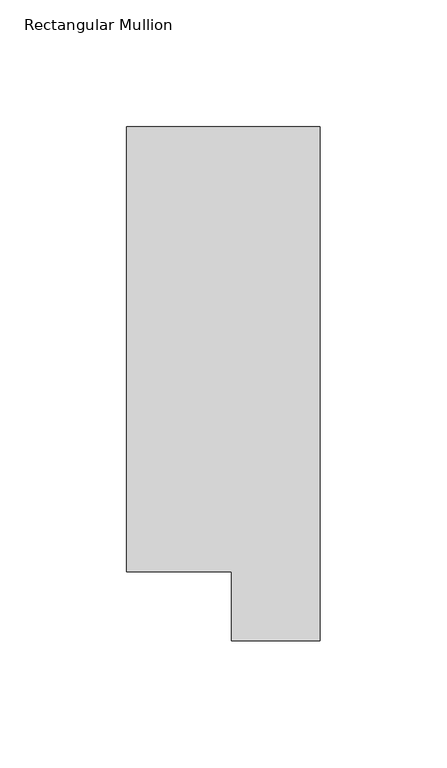
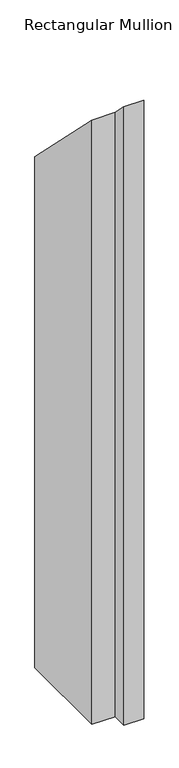
"""IFC4 building model written with IfcOpenShell, lengths in millimetres: member geometry, Rectangular Mullion."""

from ifc_helpers import new_model, si_unit, origin, place, context, project, spatial, faceted_brep, source, transform, mapped, element, save


def rectangular_mullion_88745d04(model_context):
    return source(origin(), model_context, "Body", "Brep", [
        faceted_brep([(0.0, 222.0301313, -1181.4194229), (0.0, 19.5667312, -1181.4194229), (-34.9123, 19.5667312, -1181.4194229), (-34.9123, 46.7447302, -1181.4194229), (-76.2, 46.7447302, -1181.4194229), (-76.2, 222.0301313, -1181.4194229), (-76.2, 222.0301313, -222.0301313), (0.0, 222.0301313, -222.0301313), (-76.2, 46.7447302, -46.7447302), (-34.9123, 46.7447302, -46.7447302), (-34.9123, 19.5667312, -19.5667312), (0.0, 19.5667312, -19.5667312)], [[[0, 1, 2, 3, 4, 5]], [[6, 7, 0, 5]], [[8, 6, 5, 4]], [[9, 8, 4, 3]], [[10, 9, 3, 2]], [[11, 10, 2, 1]], [[7, 11, 1, 0]], [[7, 6, 8, 9, 10, 11]]]),
    ])


if __name__ == "__main__":
    model = new_model("IFC4")
    model_context = context("Model", 3, world=origin())
    ifc_project = project(units=[si_unit("LENGTHUNIT", "METRE", prefix="MILLI")], contexts=[model_context])
    site = spatial("IfcSite", under=ifc_project)
    building = spatial("IfcBuilding", under=site)
    placement = place(None, origin())
    rectangular_mullion_shape = rectangular_mullion_88745d04(model_context)
    element("IfcMember", 1, ObjectType="Rectangular Mullion", at=placement, inside=building, context=model_context, shape_type="MappedRepresentation", body=[
        mapped(rectangular_mullion_shape, transform((0.0, 0.0, 0.0), x_axis=(1.0, 0.0, 0.0), y_axis=(0.0, 1.0, 0.0), z_axis=(0.0, 0.0, 1.0))),
    ])
    save(model, "model.ifc")
